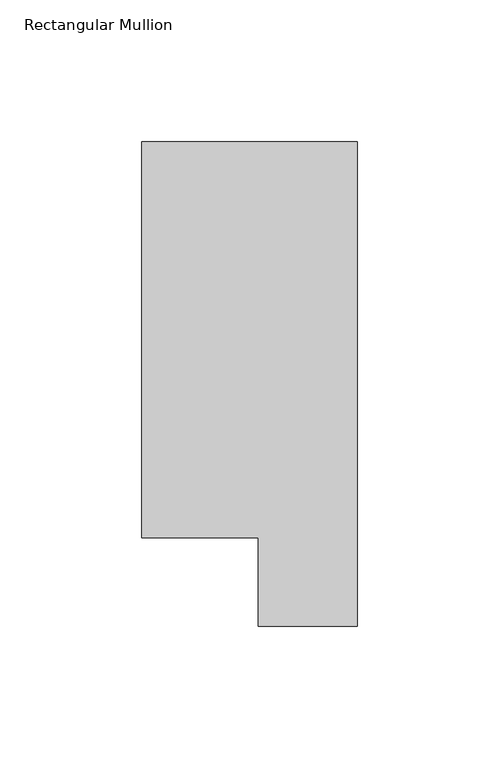
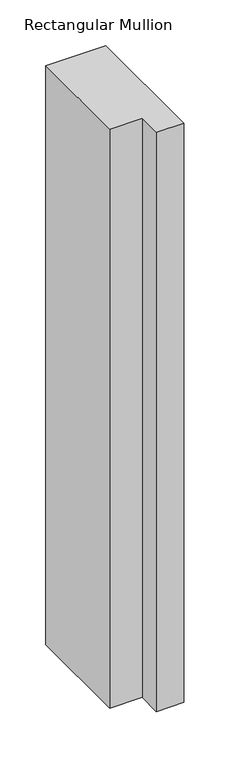
"""IFC4 building model written with IfcOpenShell, lengths in millimetres: member geometry, Rectangular Mullion."""

from ifc_helpers import new_model, si_unit, frame, origin, place, context, project, spatial, polyline, outline, extrude, source, transform, mapped, element, save


def rectangular_mullion_1309ddf9(model_context):
    return source(origin(), model_context, "Body", "SweptSolid", [
        extrude(outline(polyline([(0.0, 190.7881313), (0.0, 19.5667313), (-34.9123, 19.5667313), (-34.9123, 50.820278), (-76.2, 50.820278), (-76.2, 190.7881313), (0.0, 190.7881313)])), frame((0.0, 0.0, -774.7000005), z_axis=(0.0, 0.0, 1.0), x_axis=(1.0, 0.0, 0.0)), (0.0, 0.0, 1.0), 774.7000005),
    ])


if __name__ == "__main__":
    model = new_model("IFC4")
    model_context = context("Model", 3, world=origin())
    ifc_project = project(units=[si_unit("LENGTHUNIT", "METRE", prefix="MILLI")], contexts=[model_context])
    site = spatial("IfcSite", under=ifc_project)
    building = spatial("IfcBuilding", under=site)
    placement = place(None, origin())
    rectangular_mullion_shape = rectangular_mullion_1309ddf9(model_context)
    element("IfcMember", 1, ObjectType="Rectangular Mullion", at=placement, inside=building, context=model_context, shape_type="MappedRepresentation", body=[
        mapped(rectangular_mullion_shape, transform((0.0, 0.0, 0.0), x_axis=(1.0, 0.0, 0.0), y_axis=(0.0, 1.0, 0.0), z_axis=(0.0, 0.0, 1.0))),
    ])
    save(model, "model.ifc")
